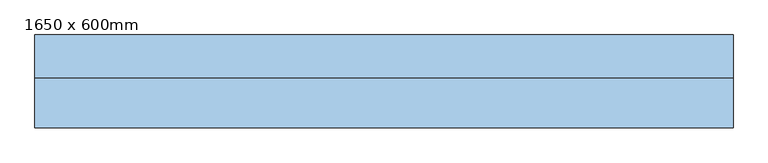
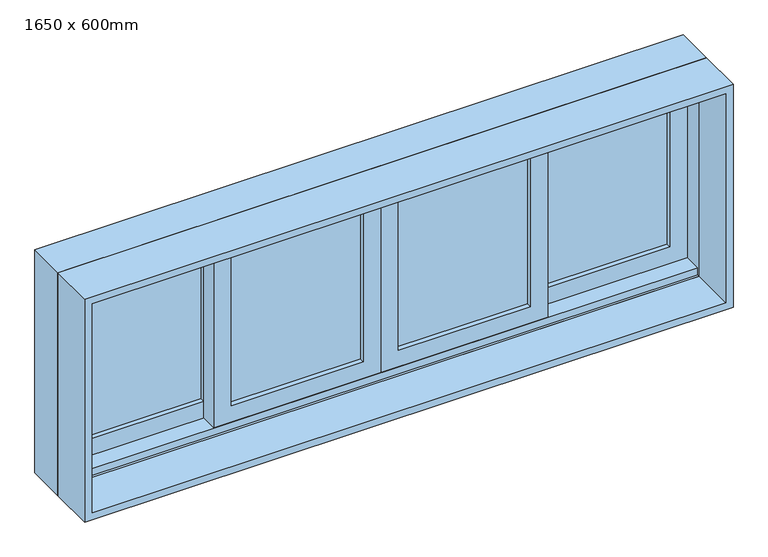
"""IFC4 building model written with IfcOpenShell, lengths in millimetres: window geometry, 1650 x 600mm."""

from ifc_helpers import new_model, si_unit, frame, origin, place, context, project, spatial, polyline, outline, extrude, faceted_brep, source, transform, mapped, element, save


def window_1650_x_600mm_cc7a0208(model_context):
    return source(origin(), model_context, "Body", "SolidModel", [
        faceted_brep([(-825.0, 13.64, 900.0), (-825.0, 115.24, 900.0), (825.0, 115.24, 900.0), (825.0, 13.64, 900.0), (-784.0778905, 115.24, 1459.0778905), (-784.0778905, 108.89, 1459.0778905), (-784.0778905, 108.89, 919.05), (-784.0778905, 115.24, 919.05), (784.0778905, 108.89, 1459.0778905), (784.0778905, 108.89, 919.05), (805.95, 108.89, 919.05), (805.95, 108.89, 1480.95), (-805.95, 108.89, 1480.95), (-805.95, 108.89, 919.05), (-805.95, 13.64, 1480.95), (-805.95, 13.64, 919.05), (-805.95, 19.99, 919.05), (-805.95, 19.99, 938.1), (-805.95, 64.44, 938.1), (-805.95, 64.44, 919.05), (825.0, 13.64, 1500.0), (-825.0, 13.64, 1500.0), (805.95, 13.64, 1480.95), (805.95, 13.64, 919.05), (-825.0, 115.24, 1500.0), (825.0, 115.24, 1500.0), (784.0778905, 115.24, 919.05), (784.0778905, 115.24, 1459.0778905), (805.95, 64.44, 919.05), (805.95, 64.44, 938.1), (805.95, 19.99, 938.1), (805.95, 19.99, 919.05)], [[[0, 1, 2, 3]], [[4, 5, 6, 7]], [[5, 8, 9, 10, 11, 12, 13, 6]], [[12, 14, 15, 16, 17, 18, 19, 13]], [[0, 3, 20, 21], [22, 23, 15, 14]], [[24, 1, 0, 21]], [[2, 1, 24, 25], [4, 7, 26, 27]], [[5, 4, 27, 8]], [[12, 11, 22, 14]], [[21, 20, 25, 24]], [[8, 27, 26, 9]], [[22, 11, 10, 28, 29, 30, 31, 23]], [[20, 3, 2, 25]], [[26, 7, 6, 13, 19, 28, 10, 9]], [[28, 19, 18, 29]], [[29, 18, 17, 30]], [[30, 17, 16, 31]], [[15, 23, 31, 16]]]),
        extrude(outline(polyline([(919.05, 805.95), (1480.95, 805.95), (1480.95, 380.75), (919.05, 380.75), (919.05, 805.95)]), holes=[polyline([(1436.5, 425.2), (1436.5, 761.5), (982.55, 761.5), (982.55, 425.2), (1436.5, 425.2)])]), frame((0.0, 64.44, 0.0), z_axis=(0.0, 1.0, 0.0), x_axis=(0.0, 0.0, 1.0)), (0.0, 0.0, 1.0), 44.45),
        extrude(outline(polyline([(761.5, 96.19), (761.5, 89.84), (425.2, 89.84), (425.2, 96.19), (761.5, 96.19)])), frame((0.0, 0.0, 982.55), z_axis=(0.0, 0.0, 1.0), x_axis=(1.0, 0.0, 0.0)), (0.0, 0.0, 1.0), 453.95),
        extrude(outline(polyline([(761.5, 83.1725303), (761.5, 77.14), (425.2, 77.14), (425.2, 83.1725303), (761.5, 83.1725303)])), frame((0.0, 0.0, 982.55), z_axis=(0.0, 0.0, 1.0), x_axis=(1.0, 0.0, 0.0)), (0.0, 0.0, 1.0), 453.95),
        extrude(outline(polyline([(380.75, 51.74), (380.75, 45.39), (44.45, 45.39), (44.45, 51.74), (380.75, 51.74)])), frame((0.0, 0.0, 982.55), z_axis=(0.0, 0.0, 1.0), x_axis=(1.0, 0.0, 0.0)), (0.0, 0.0, 1.0), 453.95),
        extrude(outline(polyline([(380.75, 39.04), (380.75, 32.69), (44.45, 32.69), (44.45, 39.04), (380.75, 39.04)])), frame((0.0, 0.0, 982.55), z_axis=(0.0, 0.0, 1.0), x_axis=(1.0, 0.0, 0.0)), (0.0, 0.0, 1.0), 453.95),
        extrude(outline(polyline([(1480.95, -425.2), (938.1, -425.2), (938.1, 0.0), (1480.95, 0.0), (1480.95, -425.2)]), holes=[polyline([(1436.5, -44.45), (982.55, -44.45), (982.55, -380.75), (1436.5, -380.75), (1436.5, -44.45)])]), frame((0.0, 19.99, 0.0), z_axis=(0.0, 1.0, 0.0), x_axis=(0.0, 0.0, 1.0)), (0.0, 0.0, 1.0), 44.45),
        extrude(outline(polyline([(938.1, 425.2), (1480.95, 425.2), (1480.95, 0.0), (938.1, 0.0), (938.1, 425.2)]), holes=[polyline([(982.55, 44.45), (1436.5, 44.45), (1436.5, 380.75), (982.55, 380.75), (982.55, 44.45)])]), frame((0.0, 19.99, 0.0), z_axis=(0.0, 1.0, 0.0), x_axis=(0.0, 0.0, 1.0)), (0.0, 0.0, 1.0), 44.45),
        extrude(outline(polyline([(1500.0, -825.0), (900.0, -825.0), (900.0, 825.0), (1500.0, 825.0), (1500.0, -825.0)]), holes=[polyline([(1480.95, 805.95), (919.05, 805.95), (919.05, -805.95), (1480.95, -805.95), (1480.95, 805.95)])]), frame((0.0, -103.81, 0.0), z_axis=(0.0, 1.0, 0.0), x_axis=(0.0, 0.0, 1.0)), (0.0, 0.0, 1.0), 117.45),
        extrude(outline(polyline([(-44.45, 51.74), (-44.45, 45.39), (-380.75, 45.39), (-380.75, 51.74), (-44.45, 51.74)])), frame((0.0, 0.0, 982.55), z_axis=(0.0, 0.0, 1.0), x_axis=(1.0, 0.0, 0.0)), (0.0, 0.0, 1.0), 453.95),
        extrude(outline(polyline([(-44.45, 39.04), (-44.45, 32.69), (-380.75, 32.69), (-380.75, 39.04), (-44.45, 39.04)])), frame((0.0, 0.0, 982.55), z_axis=(0.0, 0.0, 1.0), x_axis=(1.0, 0.0, 0.0)), (0.0, 0.0, 1.0), 453.95),
        extrude(outline(polyline([(-425.2, 96.19), (-425.2, 89.84), (-761.5, 89.84), (-761.5, 96.19), (-425.2, 96.19)])), frame((0.0, 0.0, 982.55), z_axis=(0.0, 0.0, 1.0), x_axis=(1.0, 0.0, 0.0)), (0.0, 0.0, 1.0), 453.95),
        extrude(outline(polyline([(-425.2, 83.49), (-425.2, 77.14), (-761.5, 77.14), (-761.5, 83.49), (-425.2, 83.49)])), frame((0.0, 0.0, 982.55), z_axis=(0.0, 0.0, 1.0), x_axis=(1.0, 0.0, 0.0)), (0.0, 0.0, 1.0), 453.95),
        extrude(outline(polyline([(919.05, -805.95), (919.05, -380.75), (1480.95, -380.75), (1480.95, -805.95), (919.05, -805.95)]), holes=[polyline([(1436.5, -425.2), (982.55, -425.2), (982.55, -761.5), (1436.5, -761.5), (1436.5, -425.2)])]), frame((0.0, 64.44, 0.0), z_axis=(0.0, 1.0, 0.0), x_axis=(0.0, 0.0, 1.0)), (0.0, 0.0, 1.0), 44.45),
    ])


if __name__ == "__main__":
    model = new_model("IFC4")
    model_context = context("Model", 3, world=origin())
    ifc_project = project(units=[si_unit("LENGTHUNIT", "METRE", prefix="MILLI")], contexts=[model_context])
    site = spatial("IfcSite", under=ifc_project)
    building = spatial("IfcBuilding", under=site)
    placement = place(None, origin())
    window_1650_x_600mm_shape = window_1650_x_600mm_cc7a0208(model_context)
    element("IfcWindow", 1, ObjectType="1650 x 600mm", at=placement, inside=building, context=model_context, shape_type="MappedRepresentation", body=[
        mapped(window_1650_x_600mm_shape, transform((0.0, 0.0, 0.0), x_axis=(1.0, 0.0, 0.0), y_axis=(0.0, 1.0, 0.0), z_axis=(0.0, 0.0, 1.0))),
    ])
    save(model, "model.ifc")
